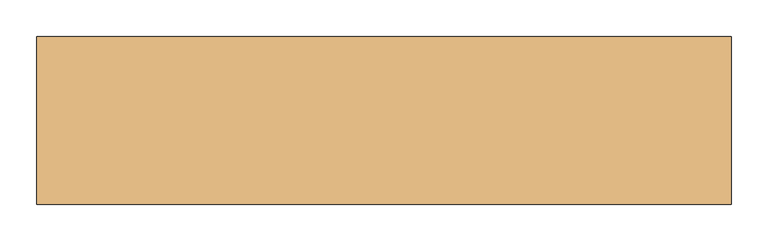
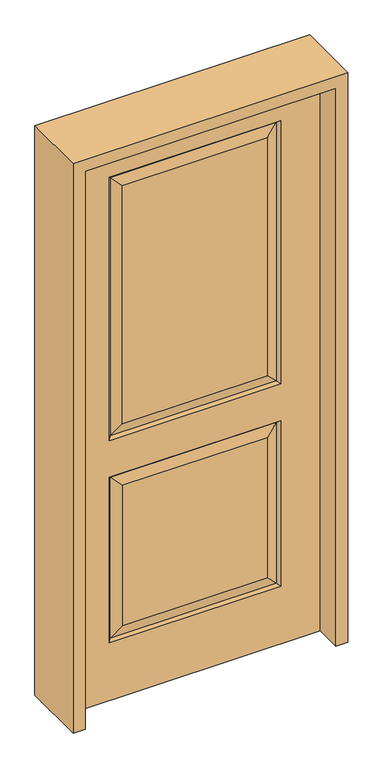
"""IFC4 building model written with IfcOpenShell, lengths in millimetres: door geometry."""

from ifc_helpers import new_model, si_unit, frame, origin, place, context, project, spatial, polyline, outline, extrude, faceted_brep, source, transform, mapped, element, save


def door_e915fee6(model_context):
    return source(origin(), model_context, "Body", "SolidModel", [
        faceted_brep([(-286.2947439, -11.6572439, 218.5302561), (-249.2375, -20.6375, 255.5875), (-249.2375, -20.6375, 766.7625), (-286.2947439, -11.6572439, 803.8197439), (431.8, 20.6375, 0.0), (431.8, -20.6375, 0.0), (-431.8, -20.6375, 0.0), (-431.8, 20.6375, 0.0), (431.8, 20.6375, 2032.0), (431.8, -20.6375, 2032.0), (-249.2375, -20.6375, 992.1875), (249.2375, -20.6375, 992.1875), (249.2375, -20.6375, 1858.9625), (-249.2375, -20.6375, 1858.9625), (249.2375, -20.6375, 255.5875), (249.2375, -20.6375, 766.7625), (-431.8, -20.6375, 2032.0), (295.275, -20.6375, 946.15), (-295.275, -20.6375, 946.15), (-295.275, -20.6375, 1905.0), (295.275, -20.6375, 1905.0), (295.275, -20.6375, 209.55), (-295.275, -20.6375, 209.55), (-295.275, -20.6375, 812.8), (295.275, -20.6375, 812.8), (286.2947439, 11.6572439, 803.8197439), (-286.2947439, 11.6572439, 803.8197439), (-295.275, 20.6375, 812.8), (295.275, 20.6375, 812.8), (-286.2947439, 11.6572439, 218.5302561), (-295.275, 20.6375, 209.55), (286.2947439, 11.6572439, 218.5302561), (295.275, 20.6375, 209.55), (286.2947439, -11.6572439, 955.1302561), (-286.2947439, -11.6572439, 955.1302561), (-286.2947439, -11.6572439, 1896.0197439), (286.2947439, -11.6572439, 1896.0197439), (286.2947439, -11.6572439, 803.8197439), (-431.8, 20.6375, 2032.0), (-249.2375, 20.6375, 766.7625), (249.2375, 20.6375, 766.7625), (249.2375, 20.6375, 255.5875), (-249.2375, 20.6375, 255.5875), (-249.2375, 20.6375, 1858.9625), (249.2375, 20.6375, 1858.9625), (249.2375, 20.6375, 992.1875), (-249.2375, 20.6375, 992.1875), (295.275, 20.6375, 1905.0), (-295.275, 20.6375, 1905.0), (-295.275, 20.6375, 946.15), (295.275, 20.6375, 946.15), (-286.2947439, 11.6572439, 1896.0197439), (-286.2947439, 11.6572439, 955.1302561), (286.2947439, 11.6572439, 955.1302561), (286.2947439, 11.6572439, 1896.0197439), (286.2947439, -11.6572439, 218.5302561)], [[[0, 1, 2, 3]], [[4, 5, 6, 7]], [[8, 9, 5, 4]], [[10, 11, 12, 13]], [[1, 14, 15, 2]], [[9, 16, 6, 5], [17, 18, 19, 20], [21, 22, 23, 24]], [[25, 26, 27, 28]], [[27, 26, 29, 30]], [[30, 29, 31, 32]], [[33, 34, 18, 17]], [[18, 34, 35, 19]], [[33, 17, 20, 36]], [[34, 33, 11, 10]], [[23, 3, 37, 24]], [[3, 2, 15, 37]], [[16, 38, 7, 6]], [[39, 40, 41, 42]], [[43, 44, 45, 46]], [[38, 8, 4, 7], [28, 27, 30, 32], [47, 48, 49, 50]], [[48, 51, 52, 49]], [[49, 52, 53, 50]], [[54, 47, 50, 53]], [[44, 54, 53, 45]], [[52, 46, 45, 53]], [[51, 43, 46, 52]], [[25, 28, 32, 31]], [[26, 25, 40, 39]], [[40, 25, 31, 41]], [[29, 42, 41, 31]], [[26, 39, 42, 29]], [[11, 33, 36, 12]], [[34, 10, 13, 35]], [[55, 0, 22, 21]], [[22, 0, 3, 23]], [[55, 21, 24, 37]], [[0, 55, 14, 1]], [[14, 55, 37, 15]], [[8, 38, 16, 9]], [[19, 35, 36, 20]], [[35, 13, 12, 36]], [[54, 51, 48, 47]], [[51, 54, 44, 43]]]),
        extrude(outline(polyline([(2073.275, -473.075), (0.0, -473.075), (0.0, -431.8), (2032.0, -431.8), (2032.0, 431.8), (0.0, 431.8), (0.0, 473.075), (2073.275, 473.075), (2073.275, -473.075)])), frame((0.0, -114.3, 0.0), z_axis=(0.0, 1.0, 0.0), x_axis=(0.0, 0.0, 1.0)), (0.0, 0.0, 1.0), 228.6),
    ])


if __name__ == "__main__":
    model = new_model("IFC4")
    model_context = context("Model", 3, world=origin())
    ifc_project = project(units=[si_unit("LENGTHUNIT", "METRE", prefix="MILLI")], contexts=[model_context])
    site = spatial("IfcSite", under=ifc_project)
    building = spatial("IfcBuilding", under=site)
    placement = place(None, origin())
    door_shape = door_e915fee6(model_context)
    element("IfcDoor", 1, at=placement, inside=building, context=model_context, shape_type="MappedRepresentation", body=[
        mapped(door_shape, transform((0.0, 0.0, 0.0), x_axis=(1.0, 0.0, 0.0), y_axis=(0.0, 1.0, 0.0), z_axis=(0.0, 0.0, 1.0))),
    ])
    save(model, "model.ifc")
